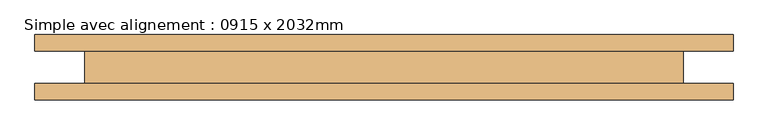
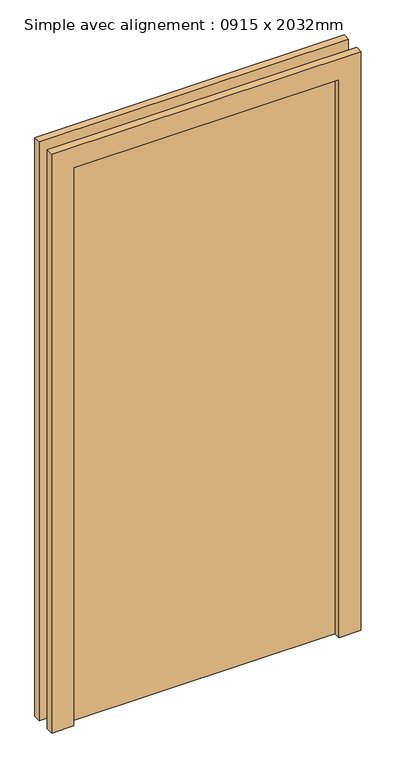
"""IFC4 building model written with IfcOpenShell, lengths in millimetres: door geometry, Simple avec alignement : 0915 x 2032mm."""

from ifc_helpers import new_model, si_unit, frame, origin, origin_with_axes, place, context, project, spatial, polyline, outline, extrude, source, transform, mapped, element, save


def simple_avec_alignement_0915_x_2032mm_d2b34d79(model_context):
    return source(origin(), model_context, "Body", "SweptSolid", [
        extrude(outline(polyline([(2108.0, -533.5), (0.0, -533.5), (0.0, -457.5), (2032.0, -457.5), (2032.0, 457.5), (0.0, 457.5), (0.0, 533.5), (2108.0, 533.5), (2108.0, -533.5)])), frame((0.0, 25.0, 0.0), z_axis=(0.0, 1.0, 0.0), x_axis=(0.0, 0.0, 1.0)), (0.0, 0.0, 1.0), 25.0),
        extrude(outline(polyline([(2108.0, 533.5), (2108.0, -533.5), (0.0, -533.5), (0.0, -457.5), (2032.0, -457.5), (2032.0, 457.5), (0.0, 457.5), (0.0, 533.5), (2108.0, 533.5)])), frame((0.0, -50.0, 0.0), z_axis=(0.0, 1.0, 0.0), x_axis=(0.0, 0.0, 1.0)), (0.0, 0.0, 1.0), 25.0),
        extrude(outline(polyline([(457.5, -26.0), (-457.5, -26.0), (-457.5, 25.0), (457.5, 25.0), (457.5, -26.0)])), origin_with_axes(), (0.0, 0.0, 1.0), 2032.0),
    ])


if __name__ == "__main__":
    model = new_model("IFC4")
    model_context = context("Model", 3, world=origin())
    ifc_project = project(units=[si_unit("LENGTHUNIT", "METRE", prefix="MILLI")], contexts=[model_context])
    site = spatial("IfcSite", under=ifc_project)
    building = spatial("IfcBuilding", under=site)
    placement = place(None, origin())
    simple_avec_alignement_0915_x_2032mm_shape = simple_avec_alignement_0915_x_2032mm_d2b34d79(model_context)
    element("IfcDoor", 1, ObjectType="Simple avec alignement : 0915 x 2032mm", at=placement, inside=building, context=model_context, shape_type="MappedRepresentation", body=[
        mapped(simple_avec_alignement_0915_x_2032mm_shape, transform((0.0, 0.0, 0.0), x_axis=(1.0, 0.0, 0.0), y_axis=(0.0, 1.0, 0.0), z_axis=(0.0, 0.0, 1.0))),
    ])
    save(model, "model.ifc")
